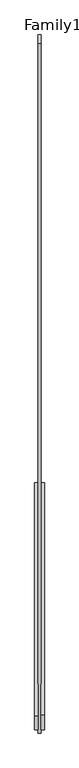
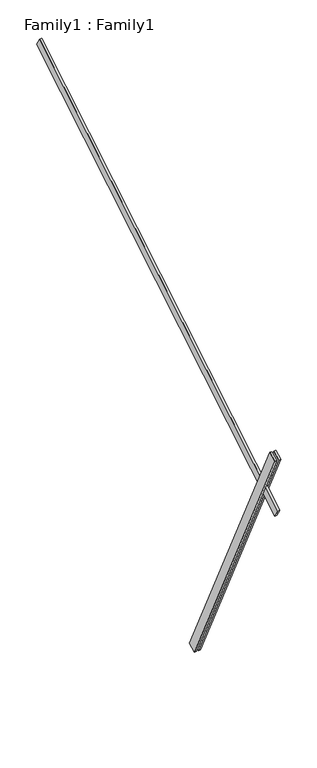
"""IFC4 building model written with IfcOpenShell, lengths in millimetres: proxy geometry, Family1 : Family1."""

from ifc_helpers import new_model, si_unit, frame, origin, place, context, project, spatial, polyline, outline, extrude, source, transform, mapped, element, save


def family1_family1_24e79a8e(model_context):
    return source(origin(), model_context, "Body", "SweptSolid", [
        extrude(outline(polyline([(0.0, 0.0), (-100.0000001, 0.0), (-100.0000001, 20.0), (0.0, 20.0), (0.0, 0.0)])), frame((-30.0, -46.3241747, -22.5938096), z_axis=(0.0, -0.4383711467890692, 0.8987940462991711), x_axis=(0.0, -0.8987940462991711, -0.4383711467890692)), (0.0, 0.0, 1.0), 3300.0),
        extrude(outline(polyline([(0.0, 0.0), (-99.9999999, 0.0), (-99.9999999, 20.0), (0.0, 20.0), (0.0, 0.0)])), frame((10.0, -45.270232, -22.0797674), z_axis=(0.0, -0.4383711467890692, 0.8987940462991711), x_axis=(0.0, -0.8987940462991711, -0.4383711467890692)), (0.0, 0.0, 1.0), 3300.0),
        extrude(outline(polyline([(0.0, 20.0), (5000.0, 20.0), (5000.0, 0.0), (0.0, 0.0), (0.0, 20.0)])), frame((-10.0, 2825.5096387, 4893.5490145), z_axis=(0.0, -0.515038074910056, 0.8571673007021113), x_axis=(0.0, -0.8571673007021113, -0.515038074910056)), (0.0, 0.0, 1.0), 100.0),
    ])


if __name__ == "__main__":
    model = new_model("IFC4")
    model_context = context("Model", 3, world=origin())
    ifc_project = project(units=[si_unit("LENGTHUNIT", "METRE", prefix="MILLI")], contexts=[model_context])
    site = spatial("IfcSite", under=ifc_project)
    building = spatial("IfcBuilding", under=site)
    placement = place(None, origin())
    family1_family1_shape = family1_family1_24e79a8e(model_context)
    element("IfcBuildingElementProxy", 1, Name="Family1 : Family1", ObjectType="Family1 : Family1", at=placement, inside=building, context=model_context, shape_type="MappedRepresentation", body=[
        mapped(family1_family1_shape, transform((0.0, 0.0, 0.0), x_axis=(1.0, 0.0, 0.0), y_axis=(0.0, 1.0, 0.0), z_axis=(0.0, 0.0, 1.0))),
    ])
    save(model, "model.ifc")
